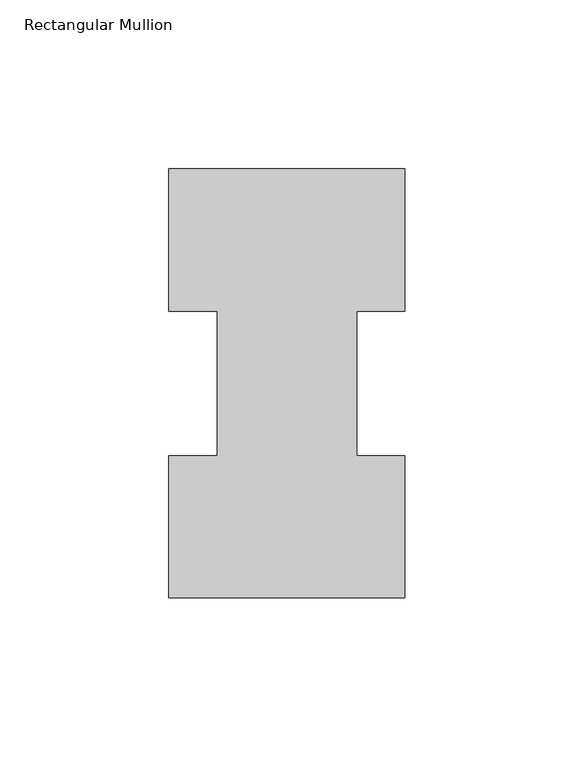
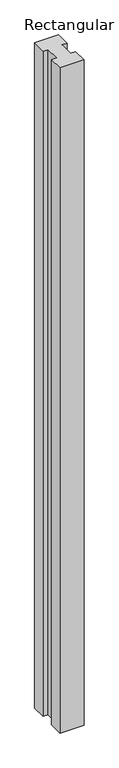
"""IFC4 building model written with IfcOpenShell, lengths in millimetres: member geometry, Rectangular Mullion."""

from ifc_helpers import new_model, si_unit, frame, origin, place, context, project, spatial, polyline, outline, extrude, source, transform, mapped, element, save


def rectangular_mullion_d033726f(model_context):
    return source(origin(), model_context, "Body", "SweptSolid", [
        extrude(outline(polyline([(-34.925, 127.00635), (34.925, 127.00635), (34.925, 84.93125), (20.6375, 84.93125), (20.6375, 42.08145), (34.925, 42.08145), (34.925, 0.00635), (-34.925, 0.00635), (-34.925, 42.08145), (-20.6375, 42.08145), (-20.6375, 84.93125), (-34.925, 84.93125), (-34.925, 127.00635)])), frame((0.0, 0.0, -2044.7177772), z_axis=(0.0, 0.0, 1.0), x_axis=(1.0, 0.0, 0.0)), (0.0, 0.0, 1.0), 2044.7177772),
    ])


if __name__ == "__main__":
    model = new_model("IFC4")
    model_context = context("Model", 3, world=origin())
    ifc_project = project(units=[si_unit("LENGTHUNIT", "METRE", prefix="MILLI")], contexts=[model_context])
    site = spatial("IfcSite", under=ifc_project)
    building = spatial("IfcBuilding", under=site)
    placement = place(None, origin())
    rectangular_mullion_shape = rectangular_mullion_d033726f(model_context)
    element("IfcMember", 1, ObjectType="Rectangular Mullion", at=placement, inside=building, context=model_context, shape_type="MappedRepresentation", body=[
        mapped(rectangular_mullion_shape, transform((0.0, 0.0, 0.0), x_axis=(1.0, 0.0, 0.0), y_axis=(0.0, 1.0, 0.0), z_axis=(0.0, 0.0, 1.0))),
    ])
    save(model, "model.ifc")
